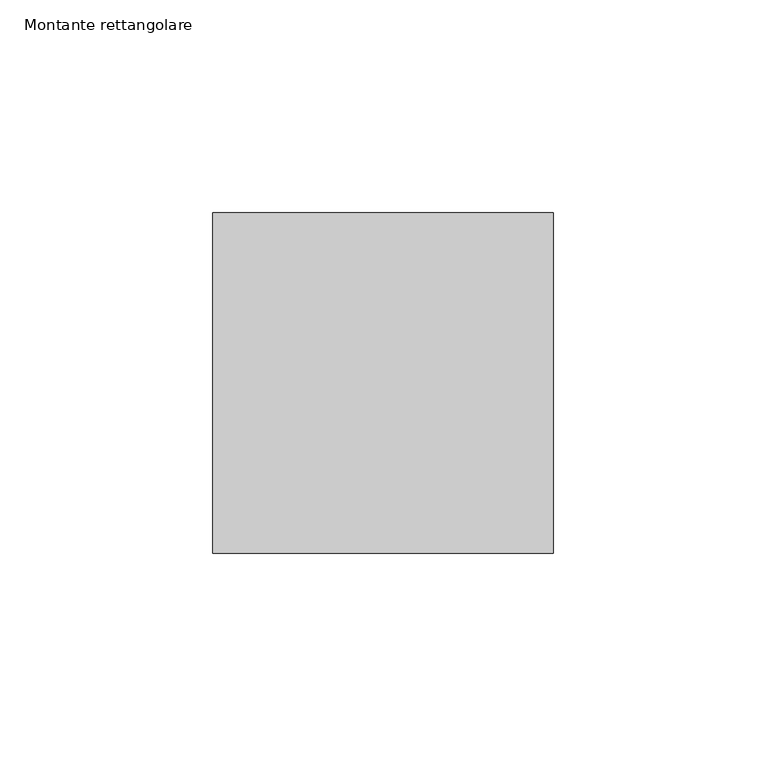
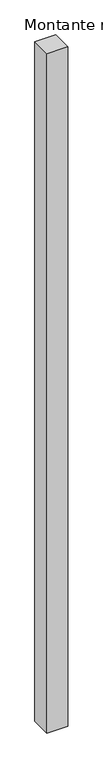
"""IFC4 building model written with IfcOpenShell, lengths in millimetres: member geometry, Montante rettangolare."""

from ifc_helpers import new_model, si_unit, frame, origin, place, context, project, spatial, polyline, outline, extrude, source, transform, mapped, element, save


def montante_rettangolare_d5a10c23(model_context):
    return source(origin(), model_context, "Body", "SweptSolid", [
        extrude(outline(polyline([(0.0, 40.0), (0.0, -40.0), (-80.0, -40.0), (-80.0, 40.0), (0.0, 40.0)])), frame((0.0, 0.0, -2760.0), z_axis=(0.0, 0.0, 1.0), x_axis=(1.0, 0.0, 0.0)), (0.0, 0.0, 1.0), 2760.0),
    ])


if __name__ == "__main__":
    model = new_model("IFC4")
    model_context = context("Model", 3, world=origin())
    ifc_project = project(units=[si_unit("LENGTHUNIT", "METRE", prefix="MILLI")], contexts=[model_context])
    site = spatial("IfcSite", under=ifc_project)
    building = spatial("IfcBuilding", under=site)
    placement = place(None, origin())
    montante_rettangolare_shape = montante_rettangolare_d5a10c23(model_context)
    element("IfcMember", 1, ObjectType="Montante rettangolare", at=placement, inside=building, context=model_context, shape_type="MappedRepresentation", body=[
        mapped(montante_rettangolare_shape, transform((0.0, 0.0, 0.0), x_axis=(1.0, 0.0, 0.0), y_axis=(0.0, 1.0, 0.0), z_axis=(0.0, 0.0, 1.0))),
    ])
    save(model, "model.ifc")
